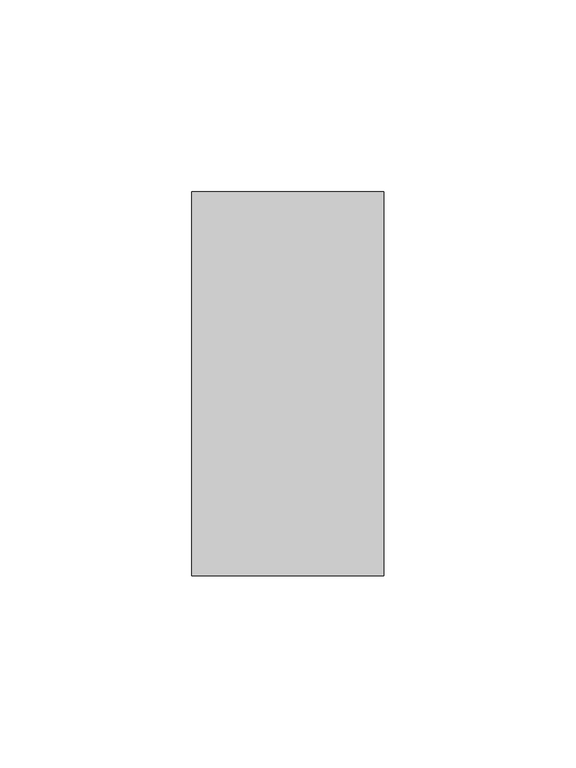
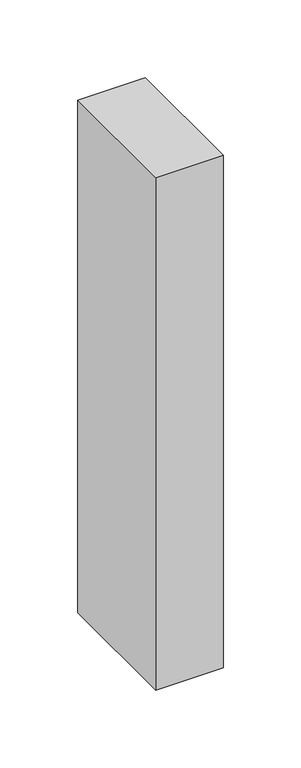
"""IFC4 building model written with IfcOpenShell, lengths in millimetres: member geometry."""

from ifc_helpers import new_model, si_unit, frame, origin, place, context, project, spatial, polyline, outline, extrude, source, transform, mapped, element, save


def member_2e5c27ef(model_context):
    return source(origin(), model_context, "Body", "SweptSolid", [
        extrude(outline(polyline([(25.0, 50.0), (25.0, -50.0), (-25.0, -50.0), (-25.0, 50.0), (25.0, 50.0)])), frame((0.0, 0.0, -401.9310345), z_axis=(0.0, 0.0, 1.0), x_axis=(1.0, 0.0, 0.0)), (0.0, 0.0, 1.0), 401.9310345),
    ])


if __name__ == "__main__":
    model = new_model("IFC4")
    model_context = context("Model", 3, world=origin())
    ifc_project = project(units=[si_unit("LENGTHUNIT", "METRE", prefix="MILLI")], contexts=[model_context])
    site = spatial("IfcSite", under=ifc_project)
    building = spatial("IfcBuilding", under=site)
    placement = place(None, origin())
    member_shape = member_2e5c27ef(model_context)
    element("IfcMember", 1, at=placement, inside=building, context=model_context, shape_type="MappedRepresentation", body=[
        mapped(member_shape, transform((0.0, 0.0, 0.0), x_axis=(1.0, 0.0, 0.0), y_axis=(0.0, 1.0, 0.0), z_axis=(0.0, 0.0, 1.0))),
    ])
    save(model, "model.ifc")
